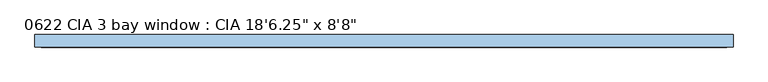
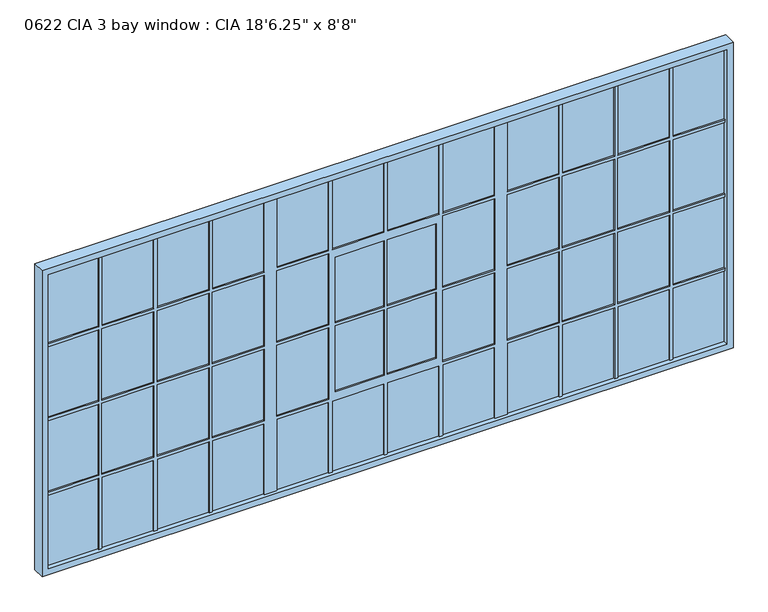
"""IFC4 building model written with IfcOpenShell, lengths in millimetres: window geometry."""

from ifc_helpers import new_model, si_unit, frame, origin, place, context, project, spatial, polyline, outline, extrude, source, transform, mapped, element, save


def window_189fda4b(model_context):
    return source(origin(), model_context, "Body", "SweptSolid", [
        extrude(outline(polyline([(5786.4375, 0.0), (242.8875, 0.0), (242.8875, 25.4), (5786.4375, 25.4), (5786.4375, 0.0)])), frame((0.0, 0.0, 787.4), z_axis=(0.0, 0.0, 1.0), x_axis=(1.0, 0.0, 0.0)), (0.0, 0.0, 1.0), 2540.0),
        extrude(outline(polyline([(3378.2, 192.0875), (736.6, 192.0875), (736.6, 5837.2375), (3378.2, 5837.2375), (3378.2, 192.0875)]), holes=[polyline([(3327.4, 242.8875), (3327.4, 5786.4375), (787.4, 5786.4375), (787.4, 242.8875), (3327.4, 242.8875)])]), frame((0.0, -38.1, 0.0), z_axis=(0.0, 1.0, 0.0), x_axis=(0.0, 0.0, 1.0)), (0.0, 0.0, 1.0), 101.6),
        extrude(outline(polyline([(2711.45, 5360.4583333), (3327.4, 5360.4583333), (3327.4, 5335.0583333), (2711.45, 5335.0583333), (2711.45, 4909.0791667), (3327.4, 4909.0791667), (3327.4, 4883.6791667), (2711.45, 4883.6791667), (2711.45, 4457.7), (3327.4, 4457.7), (3327.4, 4432.3), (2711.45, 4432.3), (2711.45, 4006.3208333), (3327.4, 4006.3208333), (3327.4, 3904.7208333), (2711.45, 3904.7208333), (2711.45, 3478.7416667), (3327.4, 3478.7416667), (3327.4, 3453.3416667), (2711.45, 3453.3416667), (2711.45, 3027.3625), (3327.4, 3027.3625), (3327.4, 3001.9625), (2711.45, 3001.9625), (2711.45, 2575.9833333), (3327.4, 2575.9833333), (3327.4, 2550.5833333), (2711.45, 2550.5833333), (2711.45, 2124.6041667), (3327.4, 2124.6041667), (3327.4, 2023.0041667), (2711.45, 2023.0041667), (2711.45, 1597.025), (3327.4, 1597.025), (3327.4, 1571.625), (2711.45, 1571.625), (2711.45, 1145.6458333), (3327.4, 1145.6458333), (3327.4, 1120.2458333), (2711.45, 1120.2458333), (2711.45, 694.2666667), (3327.4, 694.2666667), (3327.4, 668.8666667), (2711.45, 668.8666667), (2711.45, 242.8875), (2686.05, 242.8875), (2686.05, 668.8666667), (2070.1, 668.8666667), (2070.1, 242.8875), (2044.7, 242.8875), (2044.7, 668.8666667), (1428.75, 668.8666667), (1428.75, 242.8875), (1403.35, 242.8875), (1403.35, 668.8666667), (787.4, 668.8666667), (787.4, 694.2666667), (1403.35, 694.2666667), (1403.35, 1120.2458333), (787.4, 1120.2458333), (787.4, 1145.6458333), (1403.35, 1145.6458333), (1403.35, 1571.625), (787.4, 1571.625), (787.4, 1597.025), (1403.35, 1597.025), (1403.35, 2023.0041667), (787.4, 2023.0041667), (787.4, 2124.6041667), (1403.35, 2124.6041667), (1403.35, 2550.5833333), (787.4, 2550.5833333), (787.4, 2575.9833333), (1403.35, 2575.9833333), (1403.35, 3001.9625), (787.4, 3001.9625), (787.4, 3027.3625), (1403.35, 3027.3625), (1403.35, 3453.3416667), (787.4, 3453.3416667), (787.4, 3478.7416667), (1403.35, 3478.7416667), (1403.35, 3904.7208333), (787.4, 3904.7208333), (787.4, 4006.3208333), (1403.35, 4006.3208333), (1403.35, 4432.3), (787.4, 4432.3), (787.4, 4457.7), (1403.35, 4457.7), (1403.35, 4883.6791667), (787.4, 4883.6791667), (787.4, 4909.0791667), (1403.35, 4909.0791667), (1403.35, 5335.0583333), (787.4, 5335.0583333), (787.4, 5360.4583333), (1403.35, 5360.4583333), (1403.35, 5786.4375), (1428.75, 5786.4375), (1428.75, 5360.4583333), (2044.7, 5360.4583333), (2044.7, 5786.4375), (2070.1, 5786.4375), (2070.1, 5360.4583333), (2686.05, 5360.4583333), (2686.05, 5786.4375), (2711.45, 5786.4375), (2711.45, 5360.4583333)]), holes=[polyline([(2070.1, 3904.7208333), (2070.1, 3478.7416667), (2686.05, 3478.7416667), (2686.05, 3904.7208333), (2070.1, 3904.7208333)]), polyline([(2686.05, 1597.025), (2686.05, 2023.0041667), (2070.1, 2023.0041667), (2070.1, 1597.025), (2686.05, 1597.025)]), polyline([(2686.05, 4006.3208333), (2686.05, 4432.3), (2070.1, 4432.3), (2070.1, 4006.3208333), (2686.05, 4006.3208333)]), polyline([(1428.75, 3904.7208333), (1428.75, 3478.7416667), (2044.7, 3478.7416667), (2044.7, 3904.7208333), (1428.75, 3904.7208333)]), polyline([(2686.05, 2124.6041667), (2686.05, 2550.5833333), (2070.1, 2550.5833333), (2070.1, 2124.6041667), (2686.05, 2124.6041667)]), polyline([(2044.7, 1597.025), (2044.7, 2023.0041667), (1428.75, 2023.0041667), (1428.75, 1597.025), (2044.7, 1597.025)]), polyline([(2044.7, 4006.3208333), (2044.7, 4432.3), (1428.75, 4432.3), (1428.75, 4006.3208333), (2044.7, 4006.3208333)]), polyline([(2044.7, 2124.6041667), (2044.7, 2550.5833333), (1428.75, 2550.5833333), (1428.75, 2124.6041667), (2044.7, 2124.6041667)]), polyline([(2686.05, 4909.0791667), (2686.05, 5335.0583333), (2070.1, 5335.0583333), (2070.1, 4909.0791667), (2686.05, 4909.0791667)]), polyline([(2686.05, 4457.7), (2686.05, 4883.6791667), (2070.1, 4883.6791667), (2070.1, 4457.7), (2686.05, 4457.7)]), polyline([(2044.7, 4457.7), (2044.7, 4883.6791667), (1428.75, 4883.6791667), (1428.75, 4457.7), (2044.7, 4457.7)]), polyline([(2044.7, 4909.0791667), (2044.7, 5335.0583333), (1428.75, 5335.0583333), (1428.75, 4909.0791667), (2044.7, 4909.0791667)]), polyline([(2638.425, 2601.3833333), (2638.425, 3001.9625), (2070.1, 3001.9625), (2070.1, 2601.3833333), (2638.425, 2601.3833333)]), polyline([(2638.425, 3027.3625), (2638.425, 3427.9416667), (2070.1, 3427.9416667), (2070.1, 3027.3625), (2638.425, 3027.3625)]), polyline([(2044.7, 2601.3833333), (2044.7, 3001.9625), (1476.375, 3001.9625), (1476.375, 2601.3833333), (2044.7, 2601.3833333)]), polyline([(2044.7, 3027.3625), (2044.7, 3427.9416667), (1476.375, 3427.9416667), (1476.375, 3027.3625), (2044.7, 3027.3625)]), polyline([(2686.05, 694.2666667), (2686.05, 1120.2458333), (2070.1, 1120.2458333), (2070.1, 694.2666667), (2686.05, 694.2666667)]), polyline([(2686.05, 1145.6458333), (2686.05, 1571.625), (2070.1, 1571.625), (2070.1, 1145.6458333), (2686.05, 1145.6458333)]), polyline([(2044.7, 694.2666667), (2044.7, 1120.2458333), (1428.75, 1120.2458333), (1428.75, 694.2666667), (2044.7, 694.2666667)]), polyline([(2044.7, 1145.6458333), (2044.7, 1571.625), (1428.75, 1571.625), (1428.75, 1145.6458333), (2044.7, 1145.6458333)])]), frame((0.0, -12.7, 0.0), z_axis=(0.0, 1.0, 0.0), x_axis=(0.0, 0.0, 1.0)), (0.0, 0.0, 1.0), 50.8),
    ])


if __name__ == "__main__":
    model = new_model("IFC4")
    model_context = context("Model", 3, world=origin())
    ifc_project = project(units=[si_unit("LENGTHUNIT", "METRE", prefix="MILLI")], contexts=[model_context])
    site = spatial("IfcSite", under=ifc_project)
    building = spatial("IfcBuilding", under=site)
    placement = place(None, origin())
    window_shape = window_189fda4b(model_context)
    element("IfcWindow", 1, ObjectType="0622 CIA 3 bay window : CIA 18'6.25\" x 8'8\"", at=placement, inside=building, context=model_context, shape_type="MappedRepresentation", body=[
        mapped(window_shape, transform((0.0, 0.0, 0.0), x_axis=(1.0, 0.0, 0.0), y_axis=(0.0, 1.0, 0.0), z_axis=(0.0, 0.0, 1.0))),
    ])
    save(model, "model.ifc")
